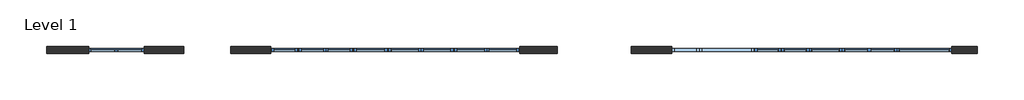
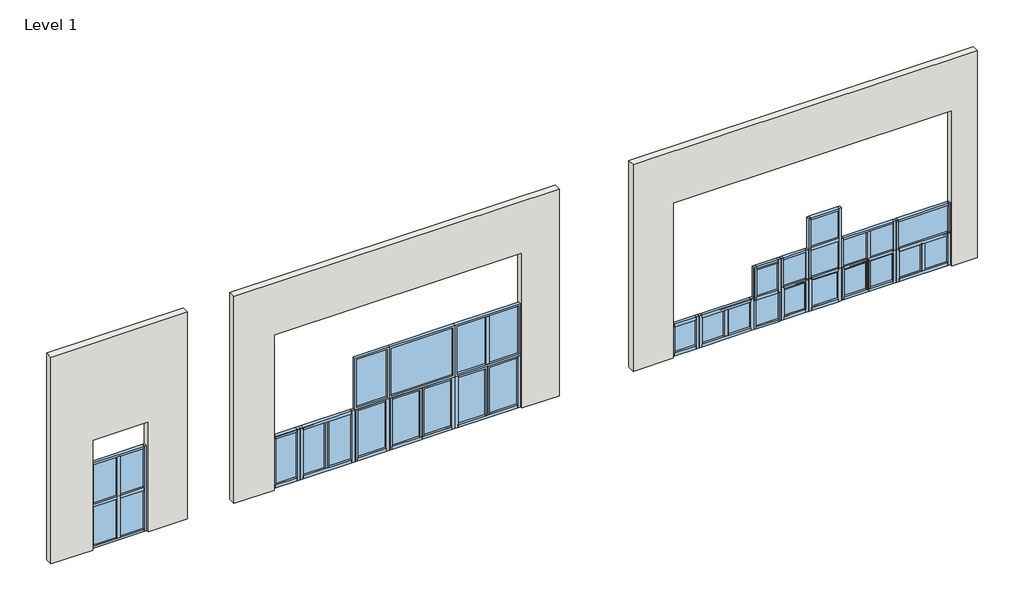
# One storey: 13 windows, 3 walls.
"""IFC4 building model written with IfcOpenShell, lengths in millimetres."""

import ifcopenshell
import ifcopenshell.guid

model = None  # the IFC model being written
_history = None  # IfcOwnerHistory: only IFC2X3 demands one
_inside = {}  # id of a spatial element -> (the spatial element, [elements in it])
_under = {}  # id of a project, library or spatial element -> (it, [spatial elements below it])
_declared = {}  # id of a project -> (the project, [libraries it declares])
_typed = {}  # id of a type object -> (the type object, [elements of that type])
_made_of = {}  # id of a material, layer set ... -> (it, [elements and type objects made of it])


def new_model(schema):
    """Start an empty IFC model of exactly this schema.

    Asked for "IFC4X3", IfcOpenShell would pick the latest addendum, in which some entities
    have other attributes; the version numbers below select the first issue.
    IFC2X3 requires an IfcOwnerHistory on every rooted entity: one is made here for all.
    """
    global model, _history
    if schema == "IFC4X3":
        model = ifcopenshell.file(schema_version=(4, 3, 0, 0))
    else:
        model = ifcopenshell.file(schema=schema)
    _inside.clear()
    _under.clear()
    _declared.clear()
    _typed.clear()
    _made_of.clear()
    _history = None
    if model.schema == "IFC2X3":
        org = make("IfcOrganization", Name="unknown")
        user = make(
            "IfcPersonAndOrganization",
            ThePerson=make("IfcPerson", FamilyName="unknown"),
            TheOrganization=org,
        )
        app = make(
            "IfcApplication",
            ApplicationDeveloper=org,
            Version="unknown",
            ApplicationFullName="unknown",
            ApplicationIdentifier="unknown",
        )
        _history = make(
            "IfcOwnerHistory",
            OwningUser=user,
            OwningApplication=app,
            ChangeAction="ADDED",
            CreationDate=0,
        )
    return model


def make(cls, **values):
    """One entity of the class cls with the attributes given. An attribute that is None is left unset."""
    return model.create_entity(
        cls, **{name: value for name, value in values.items() if value is not None}
    )


def rooted(cls, **values):
    """An entity with a GlobalId (a new one), such as an element, a storey or a relation."""
    return make(cls, GlobalId=ifcopenshell.guid.new(), OwnerHistory=_history, **values)


def si_unit(unit_type, name, prefix=None):
    """IfcSIUnit, for example si_unit("LENGTHUNIT", "METRE", prefix="MILLI")."""
    return make("IfcSIUnit", UnitType=unit_type, Prefix=prefix, Name=name)


def assignment(units):
    """IfcUnitAssignment: the units of a project."""
    return None if units is None else make("IfcUnitAssignment", Units=units)


def point(xyz):
    """IfcCartesianPoint."""
    return None if xyz is None else make("IfcCartesianPoint", Coordinates=xyz)


def direction(xyz):
    """IfcDirection."""
    return None if xyz is None else make("IfcDirection", DirectionRatios=xyz)


def frame(location, z_axis=None, x_axis=None):
    """IfcAxis2Placement3D, a coordinate frame: its origin and axes. An axis left out is left unset."""
    return make(
        "IfcAxis2Placement3D",
        Location=point(location),
        Axis=direction(z_axis),
        RefDirection=direction(x_axis),
    )


def origin():
    """The frame at (0, 0, 0) with its axes left unset."""
    return frame((0.0, 0.0, 0.0))


def origin_with_axes():
    """The frame at (0, 0, 0) with the z axis (0, 0, 1) and the x axis (1, 0, 0) written out."""
    return frame((0.0, 0.0, 0.0), z_axis=(0.0, 0.0, 1.0), x_axis=(1.0, 0.0, 0.0))


def place(relative_to, where):
    """IfcLocalPlacement: puts the frame where relative to a parent placement (None: the world)."""
    return make(
        "IfcLocalPlacement", PlacementRelTo=relative_to, RelativePlacement=where
    )


def context(
    kind, dimensions, precision=None, world=None, true_north=None, identifier=None
):
    """IfcGeometricRepresentationContext, for example the 3D "Model" context."""
    return make(
        "IfcGeometricRepresentationContext",
        ContextIdentifier=identifier,
        ContextType=kind,
        CoordinateSpaceDimension=dimensions,
        Precision=precision,
        WorldCoordinateSystem=world,
        TrueNorth=true_north,
    )


def project(units=None, contexts=None):
    """IfcProject with its units and contexts."""
    return rooted(
        "IfcProject",
        Name="project",
        RepresentationContexts=contexts,
        UnitsInContext=assignment(units),
    )


def spatial(cls, under=None, at=None, **own):
    """A site, building, storey or space (cls), placed at a placement, below another one or the project."""
    s = rooted(cls, ObjectPlacement=at, **own)
    if under is not None:
        _under.setdefault(under.id(), (under, []))[1].append(s)
    return s


def polyline(points):
    """IfcPolyline through the points."""
    return make("IfcPolyline", Points=[point(p) for p in points])


def outline(outer, holes=None, kind="AREA"):
    """IfcArbitraryClosedProfileDef: a profile drawn as a closed curve; with holes, ...WithVoids."""
    if holes is None:
        return make("IfcArbitraryClosedProfileDef", ProfileType=kind, OuterCurve=outer)
    return make(
        "IfcArbitraryProfileDefWithVoids",
        ProfileType=kind,
        OuterCurve=outer,
        InnerCurves=holes,
    )


def extrude(swept, where, along, depth):
    """IfcExtrudedAreaSolid: the profile swept, set in the frame where, extruded along a direction by depth."""
    return make(
        "IfcExtrudedAreaSolid",
        SweptArea=swept,
        Position=where,
        ExtrudedDirection=direction(along),
        Depth=depth,
    )


def shape(context_of_items, identifier, shape_type, items):
    """IfcShapeRepresentation: the items that make up one representation, for example the "Body"."""
    return make(
        "IfcShapeRepresentation",
        ContextOfItems=context_of_items,
        RepresentationIdentifier=identifier,
        RepresentationType=shape_type,
        Items=items,
    )


def source(mapping_origin, context_of_items, identifier, shape_type, items):
    """IfcRepresentationMap: a shape defined once, which mapped items show again and again."""
    return make(
        "IfcRepresentationMap",
        MappingOrigin=mapping_origin,
        MappedRepresentation=shape(context_of_items, identifier, shape_type, items),
    )


def transform(
    local_origin,
    x_axis=None,
    y_axis=None,
    z_axis=None,
    scale=None,
    scale2=None,
    scale3=None,
    uniform=True,
):
    """IfcCartesianTransformationOperator3D, or its non-uniform kind. x_axis, y_axis, z_axis: its Axis1, 2, 3."""
    if uniform:
        return make(
            "IfcCartesianTransformationOperator3D",
            Axis1=direction(x_axis),
            Axis2=direction(y_axis),
            LocalOrigin=point(local_origin),
            Scale=scale,
            Axis3=direction(z_axis),
        )
    return make(
        "IfcCartesianTransformationOperator3DnonUniform",
        Axis1=direction(x_axis),
        Axis2=direction(y_axis),
        LocalOrigin=point(local_origin),
        Scale=scale,
        Axis3=direction(z_axis),
        Scale2=scale2,
        Scale3=scale3,
    )


def mapped(mapping_source, mapping_target):
    """IfcMappedItem: shows the shape of a source again, moved by a transform."""
    return make(
        "IfcMappedItem", MappingSource=mapping_source, MappingTarget=mapping_target
    )


def made_of(thing, what):
    """Note that an element or type object is made of a material, layer set ...; save() writes the relation."""
    if what is not None:
        _made_of.setdefault(what.id(), (what, []))[1].append(thing)
    return thing


def element(
    cls,
    number,
    at=None,
    inside=None,
    cuts=None,
    type_object=None,
    material=None,
    context=None,
    identifier="Body",
    shape_type=None,
    held_by="IfcProductDefinitionShape",
    body=None,
    shapes=None,
    **own,
):
    """One element of the class cls, such as IfcWall. Its Tag is "e" and its number.

    at: its placement. inside: the storey or other place that contains it. cuts: it is an
    opening in that element (IfcRelVoidsElement). A single representation is given by context,
    identifier, shape_type and body (its items); several are given by shapes. held_by: the class
    of the entity that holds the representations. save() writes the other relations.
    """
    e = rooted(cls, Tag="e%d" % number, ObjectPlacement=at, **own)
    if body is not None:
        shapes = [shape(context, identifier, shape_type, body)]
    if shapes is not None:
        e.Representation = make(held_by, Representations=shapes)
    if inside is not None:
        _inside.setdefault(inside.id(), (inside, []))[1].append(e)
    if cuts is not None:
        rooted(
            "IfcRelVoidsElement", RelatingBuildingElement=cuts, RelatedOpeningElement=e
        )
    if type_object is not None:
        _typed.setdefault(type_object.id(), (type_object, []))[1].append(e)
    return made_of(e, material)


def aggregate(whole, parts):
    """IfcRelAggregates: a whole, such as a stair, and the parts it consists of."""
    return rooted("IfcRelAggregates", RelatingObject=whole, RelatedObjects=parts)


def save(model, path):
    """Write the relations noted so far, then the file.

    IfcRelAggregates (storeys below a building ...), IfcRelContainedInSpatialStructure (elements
    in a storey), IfcRelDefinesByType, IfcRelAssociatesMaterial and IfcRelDeclares: one each for
    every whole, place, type object, material and project.
    """
    for whole, parts in _under.values():
        aggregate(whole, parts)
    for where, things in _inside.values():
        rooted(
            "IfcRelContainedInSpatialStructure",
            RelatedElements=things,
            RelatingStructure=where,
        )
    for kind, things in _typed.values():
        rooted("IfcRelDefinesByType", RelatedObjects=things, RelatingType=kind)
    for what, things in _made_of.values():
        rooted("IfcRelAssociatesMaterial", RelatedObjects=things, RelatingMaterial=what)
    for by, libraries in _declared.values():
        rooted("IfcRelDeclares", RelatingContext=by, RelatedDefinitions=libraries)
    model.write(path)


def window_curtain_wall_casement_outswing_kawneer_aa4325_aa4325_02fcaf1f(model_context):
    return source(origin(), model_context, "Body", "SweptSolid", [
        extrude(outline(polyline([(41.275, 41.275), (41.275, -41.275), (-41.275, -41.275), (-41.275, 41.275), (41.275, 41.275)])), frame((0.0, 0.0, 1581.15), z_axis=(0.0, 0.0, 1.0), x_axis=(1.0, 0.0, 0.0)), (0.0, 0.0, 1.0), 1409.7),
        extrude(outline(polyline([(3048.0, 914.4), (3048.0, -914.4), (1524.0, -914.4), (1524.0, 914.4), (3048.0, 914.4)]), holes=[polyline([(2990.85, 857.25), (1581.15, 857.25), (1581.15, -857.25), (2990.85, -857.25), (2990.85, 857.25)])]), frame((0.0, -41.275, 0.0), z_axis=(0.0, 1.0, 0.0), x_axis=(0.0, 0.0, 1.0)), (0.0, 0.0, 1.0), 82.55),
        extrude(outline(polyline([(25.4, -891.38125), (25.4, 0.0), (1524.0, 0.0), (1524.0, -891.38125), (25.4, -891.38125)]), holes=[polyline([(1464.46875, -831.85), (1464.46875, -59.53125), (84.93125, -59.53125), (84.93125, -831.85), (1464.46875, -831.85)])]), frame((0.0, -38.1, 0.0), z_axis=(0.0, 1.0, 0.0), x_axis=(0.0, 0.0, 1.0)), (0.0, 0.0, 1.0), 82.55),
        extrude(outline(polyline([(1524.0, 891.38125), (1524.0, 0.0), (25.4, 0.0), (25.4, 891.38125), (1524.0, 891.38125)]), holes=[polyline([(84.93125, 831.85), (84.93125, 59.53125), (1464.46875, 59.53125), (1464.46875, 831.85), (84.93125, 831.85)])]), frame((0.0, -38.1, 0.0), z_axis=(0.0, 1.0, 0.0), x_axis=(0.0, 0.0, 1.0)), (0.0, 0.0, 1.0), 82.55),
        extrude(outline(polyline([(-857.25, 12.7), (-857.25, 38.1), (857.25, 38.1), (857.25, 12.7), (-857.25, 12.7)])), frame((0.0, 0.0, 1581.15), z_axis=(0.0, 0.0, 1.0), x_axis=(1.0, 0.0, 0.0)), (0.0, 0.0, 1.0), 1409.7),
        extrude(outline(polyline([(59.53125, 15.875), (59.53125, 41.275), (831.85, 41.275), (831.85, 15.875), (59.53125, 15.875)])), frame((0.0, 0.0, 84.93125), z_axis=(0.0, 0.0, 1.0), x_axis=(1.0, 0.0, 0.0)), (0.0, 0.0, 1.0), 1379.5375),
        extrude(outline(polyline([(-831.85, 15.875), (-831.85, 41.275), (-59.53125, 41.275), (-59.53125, 15.875), (-831.85, 15.875)])), frame((0.0, 0.0, 84.93125), z_axis=(0.0, 0.0, 1.0), x_axis=(1.0, 0.0, 0.0)), (0.0, 0.0, 1.0), 1379.5375),
        extrude(outline(polyline([(828.675, 41.275), (828.675, -41.275), (-828.675, -41.275), (-828.675, 41.275), (828.675, 41.275)])), origin_with_axes(), (0.0, 0.0, 1.0), 85.725),
        extrude(outline(polyline([(-914.4, -41.275), (-914.4, 41.275), (-828.675, 41.275), (-828.675, -41.275), (-914.4, -41.275)])), origin_with_axes(), (0.0, 0.0, 1.0), 1524.0),
        extrude(outline(polyline([(914.4, -41.275), (828.675, -41.275), (828.675, 41.275), (914.4, 41.275), (914.4, -41.275)])), origin_with_axes(), (0.0, 0.0, 1.0), 1524.0),
    ])


def window_curtain_wall_casement_outswing_kawneer_aa4325_aa4325_52c1adae(model_context):
    return source(origin(), model_context, "Body", "SweptSolid", [
        extrude(outline(polyline([(25.4, -357.98125), (25.4, 357.98125), (1498.6, 357.98125), (1498.6, -357.98125), (25.4, -357.98125)]), holes=[polyline([(1439.06875, -298.45), (1439.06875, 298.45), (84.93125, 298.45), (84.93125, -298.45), (1439.06875, -298.45)])]), frame((0.0, -38.1, 0.0), z_axis=(0.0, 1.0, 0.0), x_axis=(0.0, 0.0, 1.0)), (0.0, 0.0, 1.0), 82.55),
        extrude(outline(polyline([(-298.45, 15.875), (-298.45, 41.275), (298.45, 41.275), (298.45, 15.875), (-298.45, 15.875)])), frame((0.0, 0.0, 84.93125), z_axis=(0.0, 0.0, 1.0), x_axis=(1.0, 0.0, 0.0)), (0.0, 0.0, 1.0), 1354.1375),
        extrude(outline(polyline([(295.275, 41.275), (295.275, -41.275), (-295.275, -41.275), (-295.275, 41.275), (295.275, 41.275)])), frame((0.0, 0.0, 1438.275), z_axis=(0.0, 0.0, 1.0), x_axis=(1.0, 0.0, 0.0)), (0.0, 0.0, 1.0), 85.725),
        extrude(outline(polyline([(295.275, 41.275), (295.275, -41.275), (-295.275, -41.275), (-295.275, 41.275), (295.275, 41.275)])), origin_with_axes(), (0.0, 0.0, 1.0), 85.725),
        extrude(outline(polyline([(-381.0, -41.275), (-381.0, 41.275), (-295.275, 41.275), (-295.275, -41.275), (-381.0, -41.275)])), origin_with_axes(), (0.0, 0.0, 1.0), 1524.0),
        extrude(outline(polyline([(381.0, -41.275), (295.275, -41.275), (295.275, 41.275), (381.0, 41.275), (381.0, -41.275)])), origin_with_axes(), (0.0, 0.0, 1.0), 1524.0),
    ])


def window_curtain_wall_casement_outswing_kawneer_aa4325_aa4325_e41e68cb(model_context):
    return source(origin(), model_context, "Body", "SweptSolid", [
        extrude(outline(polyline([(25.4, -738.98125), (25.4, 0.0), (1498.6, 0.0), (1498.6, -738.98125), (25.4, -738.98125)]), holes=[polyline([(1439.06875, -679.45), (1439.06875, -59.53125), (84.93125, -59.53125), (84.93125, -679.45), (1439.06875, -679.45)])]), frame((0.0, -38.1, 0.0), z_axis=(0.0, 1.0, 0.0), x_axis=(0.0, 0.0, 1.0)), (0.0, 0.0, 1.0), 82.55),
        extrude(outline(polyline([(1498.6, 738.98125), (1498.6, 0.0), (25.4, 0.0), (25.4, 738.98125), (1498.6, 738.98125)]), holes=[polyline([(84.93125, 679.45), (84.93125, 59.53125), (1439.06875, 59.53125), (1439.06875, 679.45), (84.93125, 679.45)])]), frame((0.0, -38.1, 0.0), z_axis=(0.0, 1.0, 0.0), x_axis=(0.0, 0.0, 1.0)), (0.0, 0.0, 1.0), 82.55),
        extrude(outline(polyline([(59.53125, 15.875), (59.53125, 41.275), (679.45, 41.275), (679.45, 15.875), (59.53125, 15.875)])), frame((0.0, 0.0, 84.93125), z_axis=(0.0, 0.0, 1.0), x_axis=(1.0, 0.0, 0.0)), (0.0, 0.0, 1.0), 1354.1375),
        extrude(outline(polyline([(-679.45, 15.875), (-679.45, 41.275), (-59.53125, 41.275), (-59.53125, 15.875), (-679.45, 15.875)])), frame((0.0, 0.0, 84.93125), z_axis=(0.0, 0.0, 1.0), x_axis=(1.0, 0.0, 0.0)), (0.0, 0.0, 1.0), 1354.1375),
        extrude(outline(polyline([(676.275, 41.275), (676.275, -41.275), (-676.275, -41.275), (-676.275, 41.275), (676.275, 41.275)])), frame((0.0, 0.0, 1438.275), z_axis=(0.0, 0.0, 1.0), x_axis=(1.0, 0.0, 0.0)), (0.0, 0.0, 1.0), 85.725),
        extrude(outline(polyline([(676.275, 41.275), (676.275, -41.275), (-676.275, -41.275), (-676.275, 41.275), (676.275, 41.275)])), origin_with_axes(), (0.0, 0.0, 1.0), 85.725),
        extrude(outline(polyline([(-762.0, -41.275), (-762.0, 41.275), (-676.275, 41.275), (-676.275, -41.275), (-762.0, -41.275)])), origin_with_axes(), (0.0, 0.0, 1.0), 1524.0),
        extrude(outline(polyline([(762.0, -41.275), (676.275, -41.275), (676.275, 41.275), (762.0, 41.275), (762.0, -41.275)])), origin_with_axes(), (0.0, 0.0, 1.0), 1524.0),
    ])


def window_curtain_wall_casement_outswing_kawneer_aa4325_aa4325_0fd5a1ec(model_context):
    return source(origin(), model_context, "Body", "SweptSolid", [
        extrude(outline(polyline([(3048.0, 914.4), (3048.0, -914.4), (1524.0, -914.4), (1524.0, 914.4), (3048.0, 914.4)]), holes=[polyline([(2990.85, 857.25), (1581.15, 857.25), (1581.15, -857.25), (2990.85, -857.25), (2990.85, 857.25)])]), frame((0.0, -41.275, 0.0), z_axis=(0.0, 1.0, 0.0), x_axis=(0.0, 0.0, 1.0)), (0.0, 0.0, 1.0), 82.55),
        extrude(outline(polyline([(25.4, -891.38125), (25.4, 0.0), (1524.0, 0.0), (1524.0, -891.38125), (25.4, -891.38125)]), holes=[polyline([(1464.46875, -831.85), (1464.46875, -59.53125), (84.93125, -59.53125), (84.93125, -831.85), (1464.46875, -831.85)])]), frame((0.0, -38.1, 0.0), z_axis=(0.0, 1.0, 0.0), x_axis=(0.0, 0.0, 1.0)), (0.0, 0.0, 1.0), 82.55),
        extrude(outline(polyline([(1524.0, 891.38125), (1524.0, 0.0), (25.4, 0.0), (25.4, 891.38125), (1524.0, 891.38125)]), holes=[polyline([(84.93125, 831.85), (84.93125, 59.53125), (1464.46875, 59.53125), (1464.46875, 831.85), (84.93125, 831.85)])]), frame((0.0, -38.1, 0.0), z_axis=(0.0, 1.0, 0.0), x_axis=(0.0, 0.0, 1.0)), (0.0, 0.0, 1.0), 82.55),
        extrude(outline(polyline([(-857.25, 12.7), (-857.25, 38.1), (857.25, 38.1), (857.25, 12.7), (-857.25, 12.7)])), frame((0.0, 0.0, 1581.15), z_axis=(0.0, 0.0, 1.0), x_axis=(1.0, 0.0, 0.0)), (0.0, 0.0, 1.0), 1409.7),
        extrude(outline(polyline([(59.53125, 15.875), (59.53125, 41.275), (831.85, 41.275), (831.85, 15.875), (59.53125, 15.875)])), frame((0.0, 0.0, 84.93125), z_axis=(0.0, 0.0, 1.0), x_axis=(1.0, 0.0, 0.0)), (0.0, 0.0, 1.0), 1379.5375),
        extrude(outline(polyline([(-831.85, 15.875), (-831.85, 41.275), (-59.53125, 41.275), (-59.53125, 15.875), (-831.85, 15.875)])), frame((0.0, 0.0, 84.93125), z_axis=(0.0, 0.0, 1.0), x_axis=(1.0, 0.0, 0.0)), (0.0, 0.0, 1.0), 1379.5375),
        extrude(outline(polyline([(828.675, 41.275), (828.675, -41.275), (-828.675, -41.275), (-828.675, 41.275), (828.675, 41.275)])), origin_with_axes(), (0.0, 0.0, 1.0), 85.725),
        extrude(outline(polyline([(-914.4, -41.275), (-914.4, 41.275), (-828.675, 41.275), (-828.675, -41.275), (-914.4, -41.275)])), origin_with_axes(), (0.0, 0.0, 1.0), 1524.0),
        extrude(outline(polyline([(914.4, -41.275), (828.675, -41.275), (828.675, 41.275), (914.4, 41.275), (914.4, -41.275)])), origin_with_axes(), (0.0, 0.0, 1.0), 1524.0),
    ])


def window_curtain_wall_casement_outswing_kawneer_aa4325_aa4325_23a7e854(model_context):
    return source(origin(), model_context, "Body", "SweptSolid", [
        extrude(outline(polyline([(3048.0, 482.6), (3048.0, -482.6), (1524.0, -482.6), (1524.0, 482.6), (3048.0, 482.6)]), holes=[polyline([(2990.85, 425.45), (1581.15, 425.45), (1581.15, -425.45), (2990.85, -425.45), (2990.85, 425.45)])]), frame((0.0, -41.275, 0.0), z_axis=(0.0, 1.0, 0.0), x_axis=(0.0, 0.0, 1.0)), (0.0, 0.0, 1.0), 82.55),
        extrude(outline(polyline([(25.4, -459.58125), (25.4, 459.58125), (1524.0, 459.58125), (1524.0, -459.58125), (25.4, -459.58125)]), holes=[polyline([(1464.46875, -400.05), (1464.46875, 400.05), (84.93125, 400.05), (84.93125, -400.05), (1464.46875, -400.05)])]), frame((0.0, -38.1, 0.0), z_axis=(0.0, 1.0, 0.0), x_axis=(0.0, 0.0, 1.0)), (0.0, 0.0, 1.0), 82.55),
        extrude(outline(polyline([(-425.45, 12.7), (-425.45, 38.1), (425.45, 38.1), (425.45, 12.7), (-425.45, 12.7)])), frame((0.0, 0.0, 1581.15), z_axis=(0.0, 0.0, 1.0), x_axis=(1.0, 0.0, 0.0)), (0.0, 0.0, 1.0), 1409.7),
        extrude(outline(polyline([(-400.05, 15.875), (-400.05, 41.275), (400.05, 41.275), (400.05, 15.875), (-400.05, 15.875)])), frame((0.0, 0.0, 84.93125), z_axis=(0.0, 0.0, 1.0), x_axis=(1.0, 0.0, 0.0)), (0.0, 0.0, 1.0), 1379.5375),
        extrude(outline(polyline([(396.875, 41.275), (396.875, -41.275), (-396.875, -41.275), (-396.875, 41.275), (396.875, 41.275)])), origin_with_axes(), (0.0, 0.0, 1.0), 85.725),
        extrude(outline(polyline([(-482.6, -41.275), (-482.6, 41.275), (-396.875, 41.275), (-396.875, -41.275), (-482.6, -41.275)])), origin_with_axes(), (0.0, 0.0, 1.0), 1524.0),
        extrude(outline(polyline([(482.6, -41.275), (396.875, -41.275), (396.875, 41.275), (482.6, 41.275), (482.6, -41.275)])), origin_with_axes(), (0.0, 0.0, 1.0), 1524.0),
    ])


def window_curtain_wall_fixed_kawneer_aa4325_aa4325_fixed_8e82d17f(model_context):
    return source(origin(), model_context, "Body", "SweptSolid", [
        extrude(outline(polyline([(692.15, 34.925), (692.15, 9.525), (-717.55, 9.525), (-717.55, 34.925), (692.15, 34.925)])), frame((0.0, 0.0, 57.15), z_axis=(0.0, 0.0, 1.0), x_axis=(1.0, 0.0, 0.0)), (0.0, 0.0, 1.0), 2400.3),
        extrude(outline(polyline([(28.575, 41.275), (28.575, -41.275), (-53.975, -41.275), (-53.975, 41.275), (28.575, 41.275)])), frame((0.0, 0.0, 57.15), z_axis=(0.0, 0.0, 1.0), x_axis=(1.0, 0.0, 0.0)), (0.0, 0.0, 1.0), 2400.3),
        extrude(outline(polyline([(-717.55, -41.275), (-717.55, 41.275), (692.15, 41.275), (692.15, -41.275), (-717.55, -41.275)])), frame((0.0, 0.0, 1216.025), z_axis=(0.0, 0.0, 1.0), x_axis=(1.0, 0.0, 0.0)), (0.0, 0.0, 1.0), 82.55),
        extrude(outline(polyline([(692.15, 41.275), (692.15, -41.275), (-717.55, -41.275), (-717.55, 41.275), (692.15, 41.275)])), frame((0.0, 0.0, 2457.45), z_axis=(0.0, 0.0, 1.0), x_axis=(1.0, 0.0, 0.0)), (0.0, 0.0, 1.0), 57.15),
        extrude(outline(polyline([(692.15, 41.275), (692.15, -41.275), (-717.55, -41.275), (-717.55, 41.275), (692.15, 41.275)])), origin_with_axes(), (0.0, 0.0, 1.0), 57.15),
        extrude(outline(polyline([(-774.7, -41.275), (-774.7, 41.275), (-717.55, 41.275), (-717.55, -41.275), (-774.7, -41.275)])), origin_with_axes(), (0.0, 0.0, 1.0), 2514.6),
        extrude(outline(polyline([(749.3, -41.275), (692.15, -41.275), (692.15, 41.275), (749.3, 41.275), (749.3, -41.275)])), origin_with_axes(), (0.0, 0.0, 1.0), 2514.6),
    ])


def window_curtain_wall_project_out_kawneer_aa4325_aa4325_7a3bb19d(model_context):
    return source(origin(), model_context, "Body", "SweptSolid", [
        extrude(outline(polyline([(21.43125, -359.56875), (21.43125, 359.56875), (911.225, 359.56875), (911.225, -359.56875), (21.43125, -359.56875)]), holes=[polyline([(850.9, -299.24375), (850.9, 299.24375), (81.75625, 299.24375), (81.75625, -299.24375), (850.9, -299.24375)])]), frame((0.0, -38.1, 0.0), z_axis=(0.0, 1.0, 0.0), x_axis=(0.0, 0.0, 1.0)), (0.0, 0.0, 1.0), 82.55),
        extrude(outline(polyline([(-299.24375, 15.875), (-299.24375, 41.275), (299.24375, 41.275), (299.24375, 15.875), (-299.24375, 15.875)])), frame((0.0, 0.0, 81.75625), z_axis=(0.0, 0.0, 1.0), x_axis=(1.0, 0.0, 0.0)), (0.0, 0.0, 1.0), 769.14375),
        extrude(outline(polyline([(295.275, 41.275), (295.275, -41.275), (-295.275, -41.275), (-295.275, 41.275), (295.275, 41.275)])), frame((0.0, 0.0, 846.93125), z_axis=(0.0, 0.0, 1.0), x_axis=(1.0, 0.0, 0.0)), (0.0, 0.0, 1.0), 85.725),
        extrude(outline(polyline([(295.275, 41.275), (295.275, -41.275), (-295.275, -41.275), (-295.275, 41.275), (295.275, 41.275)])), origin_with_axes(), (0.0, 0.0, 1.0), 85.725),
        extrude(outline(polyline([(-381.0, -41.275), (-381.0, 41.275), (-295.275, 41.275), (-295.275, -41.275), (-381.0, -41.275)])), origin_with_axes(), (0.0, 0.0, 1.0), 932.65625),
        extrude(outline(polyline([(381.0, -41.275), (295.275, -41.275), (295.275, 41.275), (381.0, 41.275), (381.0, -41.275)])), origin_with_axes(), (0.0, 0.0, 1.0), 932.65625),
    ])


def window_curtain_wall_project_out_kawneer_aa4325_aa4325_b02c6880(model_context):
    return source(origin(), model_context, "Body", "SweptSolid", [
        extrude(outline(polyline([(457.2, 41.275), (457.2, -41.275), (400.05, -41.275), (400.05, 41.275), (457.2, 41.275)])), frame((0.0, 0.0, 974.328125), z_axis=(0.0, 0.0, 1.0), x_axis=(1.0, 0.0, 0.0)), (0.0, 0.0, 1.0), 1768.475),
        extrude(outline(polyline([(-457.2, 41.275), (-400.05, 41.275), (-400.05, -41.275), (-457.2, -41.275), (-457.2, 41.275)])), frame((0.0, 0.0, 974.328125), z_axis=(0.0, 0.0, 1.0), x_axis=(1.0, 0.0, 0.0)), (0.0, 0.0, 1.0), 1768.475),
        extrude(outline(polyline([(400.05, 41.275), (400.05, -41.275), (-400.05, -41.275), (-400.05, 41.275), (400.05, 41.275)])), frame((0.0, 0.0, 1785.540625), z_axis=(0.0, 0.0, 1.0), x_axis=(1.0, 0.0, 0.0)), (0.0, 0.0, 1.0), 82.55),
        extrude(outline(polyline([(371.475, 41.275), (371.475, -41.275), (-371.475, -41.275), (-371.475, 41.275), (371.475, 41.275)])), frame((0.0, 0.0, 910.828125), z_axis=(0.0, 0.0, 1.0), x_axis=(1.0, 0.0, 0.0)), (0.0, 0.0, 1.0), 63.5),
        extrude(outline(polyline([(21.43125, -435.76875), (21.43125, 435.76875), (939.403125, 435.76875), (939.403125, -435.76875), (21.43125, -435.76875)]), holes=[polyline([(879.078125, -375.44375), (879.078125, 375.44375), (81.75625, 375.44375), (81.75625, -375.44375), (879.078125, -375.44375)])]), frame((0.0, -38.1, 0.0), z_axis=(0.0, 1.0, 0.0), x_axis=(0.0, 0.0, 1.0)), (0.0, 0.0, 1.0), 82.55),
        extrude(outline(polyline([(-400.05, 12.7), (-400.05, 38.1), (400.05, 38.1), (400.05, 12.7), (-400.05, 12.7)])), frame((0.0, 0.0, 974.328125), z_axis=(0.0, 0.0, 1.0), x_axis=(1.0, 0.0, 0.0)), (0.0, 0.0, 1.0), 1711.325),
        extrude(outline(polyline([(-375.44375, 15.875), (-375.44375, 41.275), (375.44375, 41.275), (375.44375, 15.875), (-375.44375, 15.875)])), frame((0.0, 0.0, 81.75625), z_axis=(0.0, 0.0, 1.0), x_axis=(1.0, 0.0, 0.0)), (0.0, 0.0, 1.0), 797.321875),
        extrude(outline(polyline([(400.05, 41.275), (400.05, -41.275), (-400.05, -41.275), (-400.05, 41.275), (400.05, 41.275)])), frame((0.0, 0.0, 2685.653125), z_axis=(0.0, 0.0, 1.0), x_axis=(1.0, 0.0, 0.0)), (0.0, 0.0, 1.0), 57.15),
        extrude(outline(polyline([(371.475, 41.275), (371.475, -41.275), (-371.475, -41.275), (-371.475, 41.275), (371.475, 41.275)])), origin_with_axes(), (0.0, 0.0, 1.0), 85.725),
        extrude(outline(polyline([(-457.2, -41.275), (-457.2, 41.275), (-371.475, 41.275), (-371.475, -41.275), (-457.2, -41.275)])), origin_with_axes(), (0.0, 0.0, 1.0), 974.328125),
        extrude(outline(polyline([(457.2, -41.275), (371.475, -41.275), (371.475, 41.275), (457.2, 41.275), (457.2, -41.275)])), origin_with_axes(), (0.0, 0.0, 1.0), 974.328125),
    ])


def window_curtain_wall_project_out_kawneer_aa4325_aa4325_9ca7d5b6(model_context):
    return source(origin(), model_context, "Body", "SweptSolid", [
        extrude(outline(polyline([(-323.85, 38.1), (323.85, 38.1), (323.85, 12.7), (-323.85, 12.7), (-323.85, 38.1)])), frame((0.0, 0.0, 57.15), z_axis=(0.0, 0.0, 1.0), x_axis=(1.0, 0.0, 0.0)), (0.0, 0.0, 1.0), 790.971875),
        extrude(outline(polyline([(381.0, 41.275), (381.0, -41.275), (323.85, -41.275), (323.85, 41.275), (381.0, 41.275)])), origin_with_axes(), (0.0, 0.0, 1.0), 848.121875),
        extrude(outline(polyline([(-323.85, 41.275), (-323.85, -41.275), (-381.0, -41.275), (-381.0, 41.275), (-323.85, 41.275)])), origin_with_axes(), (0.0, 0.0, 1.0), 848.121875),
        extrude(outline(polyline([(323.85, 41.275), (323.85, -41.275), (-323.85, -41.275), (-323.85, 41.275), (323.85, 41.275)])), origin_with_axes(), (0.0, 0.0, 1.0), 57.15),
        extrude(outline(polyline([(869.553125, -359.56875), (869.553125, 359.56875), (1787.525, 359.56875), (1787.525, -359.56875), (869.553125, -359.56875)]), holes=[polyline([(1727.2, -299.24375), (1727.2, 299.24375), (929.878125, 299.24375), (929.878125, -299.24375), (1727.2, -299.24375)])]), frame((0.0, -38.1, 0.0), z_axis=(0.0, 1.0, 0.0), x_axis=(0.0, 0.0, 1.0)), (0.0, 0.0, 1.0), 82.55),
        extrude(outline(polyline([(-299.24375, 15.875), (-299.24375, 41.275), (299.24375, 41.275), (299.24375, 15.875), (-299.24375, 15.875)])), frame((0.0, 0.0, 929.878125), z_axis=(0.0, 0.0, 1.0), x_axis=(1.0, 0.0, 0.0)), (0.0, 0.0, 1.0), 797.321875),
        extrude(outline(polyline([(295.275, 41.275), (295.275, -41.275), (-295.275, -41.275), (-295.275, 41.275), (295.275, 41.275)])), frame((0.0, 0.0, 1771.65), z_axis=(0.0, 0.0, 1.0), x_axis=(1.0, 0.0, 0.0)), (0.0, 0.0, 1.0), 57.15),
        extrude(outline(polyline([(295.275, 41.275), (295.275, -41.275), (-295.275, -41.275), (-295.275, 41.275), (295.275, 41.275)])), frame((0.0, 0.0, 848.121875), z_axis=(0.0, 0.0, 1.0), x_axis=(1.0, 0.0, 0.0)), (0.0, 0.0, 1.0), 85.725),
        extrude(outline(polyline([(-381.0, -41.275), (-381.0, 41.275), (-295.275, 41.275), (-295.275, -41.275), (-381.0, -41.275)])), frame((0.0, 0.0, 848.121875), z_axis=(0.0, 0.0, 1.0), x_axis=(1.0, 0.0, 0.0)), (0.0, 0.0, 1.0), 980.678125),
        extrude(outline(polyline([(381.0, -41.275), (295.275, -41.275), (295.275, 41.275), (381.0, 41.275), (381.0, -41.275)])), frame((0.0, 0.0, 848.121875), z_axis=(0.0, 0.0, 1.0), x_axis=(1.0, 0.0, 0.0)), (0.0, 0.0, 1.0), 980.678125),
    ])


def window_curtain_wall_project_out_kawneer_aa4325_aa4325_9c468082(model_context):
    return source(origin(), model_context, "Body", "SweptSolid", [
        extrude(outline(polyline([(381.0, 41.275), (381.0, -41.275), (323.85, -41.275), (323.85, 41.275), (381.0, 41.275)])), frame((0.0, 0.0, 974.328125), z_axis=(0.0, 0.0, 1.0), x_axis=(1.0, 0.0, 0.0)), (0.0, 0.0, 1.0), 854.471875),
        extrude(outline(polyline([(-381.0, 41.275), (-323.85, 41.275), (-323.85, -41.275), (-381.0, -41.275), (-381.0, 41.275)])), frame((0.0, 0.0, 974.328125), z_axis=(0.0, 0.0, 1.0), x_axis=(1.0, 0.0, 0.0)), (0.0, 0.0, 1.0), 854.471875),
        extrude(outline(polyline([(295.275, 41.275), (295.275, -41.275), (-295.275, -41.275), (-295.275, 41.275), (295.275, 41.275)])), frame((0.0, 0.0, 910.828125), z_axis=(0.0, 0.0, 1.0), x_axis=(1.0, 0.0, 0.0)), (0.0, 0.0, 1.0), 63.5),
        extrude(outline(polyline([(21.43125, -359.56875), (21.43125, 359.56875), (939.403125, 359.56875), (939.403125, -359.56875), (21.43125, -359.56875)]), holes=[polyline([(879.078125, -299.24375), (879.078125, 299.24375), (81.75625, 299.24375), (81.75625, -299.24375), (879.078125, -299.24375)])]), frame((0.0, -38.1, 0.0), z_axis=(0.0, 1.0, 0.0), x_axis=(0.0, 0.0, 1.0)), (0.0, 0.0, 1.0), 82.55),
        extrude(outline(polyline([(-323.85, 12.7), (-323.85, 38.1), (323.85, 38.1), (323.85, 12.7), (-323.85, 12.7)])), frame((0.0, 0.0, 974.328125), z_axis=(0.0, 0.0, 1.0), x_axis=(1.0, 0.0, 0.0)), (0.0, 0.0, 1.0), 797.321875),
        extrude(outline(polyline([(-299.24375, 15.875), (-299.24375, 41.275), (299.24375, 41.275), (299.24375, 15.875), (-299.24375, 15.875)])), frame((0.0, 0.0, 81.75625), z_axis=(0.0, 0.0, 1.0), x_axis=(1.0, 0.0, 0.0)), (0.0, 0.0, 1.0), 797.321875),
        extrude(outline(polyline([(323.85, 41.275), (323.85, -41.275), (-323.85, -41.275), (-323.85, 41.275), (323.85, 41.275)])), frame((0.0, 0.0, 1771.65), z_axis=(0.0, 0.0, 1.0), x_axis=(1.0, 0.0, 0.0)), (0.0, 0.0, 1.0), 57.15),
        extrude(outline(polyline([(295.275, 41.275), (295.275, -41.275), (-295.275, -41.275), (-295.275, 41.275), (295.275, 41.275)])), origin_with_axes(), (0.0, 0.0, 1.0), 85.725),
        extrude(outline(polyline([(-381.0, -41.275), (-381.0, 41.275), (-295.275, 41.275), (-295.275, -41.275), (-381.0, -41.275)])), origin_with_axes(), (0.0, 0.0, 1.0), 974.328125),
        extrude(outline(polyline([(381.0, -41.275), (295.275, -41.275), (295.275, 41.275), (381.0, 41.275), (381.0, -41.275)])), origin_with_axes(), (0.0, 0.0, 1.0), 974.328125),
    ])


def window_curtain_wall_project_out_kawneer_aa4325_aa4325_223f7fbd(model_context):
    return source(origin(), model_context, "Body", "SweptSolid", [
        extrude(outline(polyline([(37.30625, -41.275), (-45.24375, -41.275), (-45.24375, 41.275), (37.30625, 41.275), (37.30625, -41.275)])), frame((0.0, 0.0, 85.725), z_axis=(0.0, 0.0, 1.0), x_axis=(1.0, 0.0, 0.0)), (0.0, 0.0, 1.0), 761.20625),
        extrude(outline(polyline([(21.43125, -740.56875), (21.43125, -0.79375), (911.225, -0.79375), (911.225, -740.56875), (21.43125, -740.56875)]), holes=[polyline([(850.9, -680.24375), (850.9, -61.11875), (81.75625, -61.11875), (81.75625, -680.24375), (850.9, -680.24375)])]), frame((0.0, -38.1, 0.0), z_axis=(0.0, 1.0, 0.0), x_axis=(0.0, 0.0, 1.0)), (0.0, 0.0, 1.0), 82.55),
        extrude(outline(polyline([(911.225, 740.56875), (911.225, 0.79375), (21.43125, 0.79375), (21.43125, 740.56875), (911.225, 740.56875)]), holes=[polyline([(81.75625, 680.24375), (81.75625, 61.11875), (850.9, 61.11875), (850.9, 680.24375), (81.75625, 680.24375)])]), frame((0.0, -38.1, 0.0), z_axis=(0.0, 1.0, 0.0), x_axis=(0.0, 0.0, 1.0)), (0.0, 0.0, 1.0), 82.55),
        extrude(outline(polyline([(61.11875, 15.875), (61.11875, 41.275), (680.24375, 41.275), (680.24375, 15.875), (61.11875, 15.875)])), frame((0.0, 0.0, 81.75625), z_axis=(0.0, 0.0, 1.0), x_axis=(1.0, 0.0, 0.0)), (0.0, 0.0, 1.0), 769.14375),
        extrude(outline(polyline([(-680.24375, 15.875), (-680.24375, 41.275), (-61.11875, 41.275), (-61.11875, 15.875), (-680.24375, 15.875)])), frame((0.0, 0.0, 81.75625), z_axis=(0.0, 0.0, 1.0), x_axis=(1.0, 0.0, 0.0)), (0.0, 0.0, 1.0), 769.14375),
        extrude(outline(polyline([(676.275, 41.275), (676.275, -41.275), (-676.275, -41.275), (-676.275, 41.275), (676.275, 41.275)])), frame((0.0, 0.0, 846.93125), z_axis=(0.0, 0.0, 1.0), x_axis=(1.0, 0.0, 0.0)), (0.0, 0.0, 1.0), 85.725),
        extrude(outline(polyline([(676.275, 41.275), (676.275, -41.275), (-676.275, -41.275), (-676.275, 41.275), (676.275, 41.275)])), origin_with_axes(), (0.0, 0.0, 1.0), 85.725),
        extrude(outline(polyline([(-762.0, -41.275), (-762.0, 41.275), (-676.275, 41.275), (-676.275, -41.275), (-762.0, -41.275)])), origin_with_axes(), (0.0, 0.0, 1.0), 932.65625),
        extrude(outline(polyline([(762.0, -41.275), (676.275, -41.275), (676.275, 41.275), (762.0, 41.275), (762.0, -41.275)])), origin_with_axes(), (0.0, 0.0, 1.0), 932.65625),
    ])


def window_curtain_wall_project_out_kawneer_aa4325_aa4325_d1d700b5(model_context):
    return source(origin(), model_context, "Body", "SweptSolid", [
        extrude(outline(polyline([(762.0, 41.275), (762.0, -41.275), (704.85, -41.275), (704.85, 41.275), (762.0, 41.275)])), frame((0.0, 0.0, 974.328125), z_axis=(0.0, 0.0, 1.0), x_axis=(1.0, 0.0, 0.0)), (0.0, 0.0, 1.0), 854.471875),
        extrude(outline(polyline([(-762.0, 41.275), (-704.85, 41.275), (-704.85, -41.275), (-762.0, -41.275), (-762.0, 41.275)])), frame((0.0, 0.0, 974.328125), z_axis=(0.0, 0.0, 1.0), x_axis=(1.0, 0.0, 0.0)), (0.0, 0.0, 1.0), 854.471875),
        extrude(outline(polyline([(676.275, 41.275), (676.275, -41.275), (-676.275, -41.275), (-676.275, 41.275), (676.275, 41.275)])), frame((0.0, 0.0, 910.828125), z_axis=(0.0, 0.0, 1.0), x_axis=(1.0, 0.0, 0.0)), (0.0, 0.0, 1.0), 63.5),
        extrude(outline(polyline([(37.30625, -41.275), (-45.24375, -41.275), (-45.24375, 41.275), (37.30625, 41.275), (37.30625, -41.275)])), frame((0.0, 0.0, 85.725), z_axis=(0.0, 0.0, 1.0), x_axis=(1.0, 0.0, 0.0)), (0.0, 0.0, 1.0), 1685.925),
        extrude(outline(polyline([(21.43125, -740.56875), (21.43125, -0.79375), (939.403125, -0.79375), (939.403125, -740.56875), (21.43125, -740.56875)]), holes=[polyline([(879.078125, -680.24375), (879.078125, -61.11875), (81.75625, -61.11875), (81.75625, -680.24375), (879.078125, -680.24375)])]), frame((0.0, -38.1, 0.0), z_axis=(0.0, 1.0, 0.0), x_axis=(0.0, 0.0, 1.0)), (0.0, 0.0, 1.0), 82.55),
        extrude(outline(polyline([(939.403125, 740.56875), (939.403125, 0.79375), (21.43125, 0.79375), (21.43125, 740.56875), (939.403125, 740.56875)]), holes=[polyline([(81.75625, 680.24375), (81.75625, 61.11875), (879.078125, 61.11875), (879.078125, 680.24375), (81.75625, 680.24375)])]), frame((0.0, -38.1, 0.0), z_axis=(0.0, 1.0, 0.0), x_axis=(0.0, 0.0, 1.0)), (0.0, 0.0, 1.0), 82.55),
        extrude(outline(polyline([(-704.85, 12.7), (-704.85, 38.1), (704.85, 38.1), (704.85, 12.7), (-704.85, 12.7)])), frame((0.0, 0.0, 974.328125), z_axis=(0.0, 0.0, 1.0), x_axis=(1.0, 0.0, 0.0)), (0.0, 0.0, 1.0), 797.321875),
        extrude(outline(polyline([(61.11875, 15.875), (61.11875, 41.275), (680.24375, 41.275), (680.24375, 15.875), (61.11875, 15.875)])), frame((0.0, 0.0, 81.75625), z_axis=(0.0, 0.0, 1.0), x_axis=(1.0, 0.0, 0.0)), (0.0, 0.0, 1.0), 797.321875),
        extrude(outline(polyline([(-680.24375, 15.875), (-680.24375, 41.275), (-61.11875, 41.275), (-61.11875, 15.875), (-680.24375, 15.875)])), frame((0.0, 0.0, 81.75625), z_axis=(0.0, 0.0, 1.0), x_axis=(1.0, 0.0, 0.0)), (0.0, 0.0, 1.0), 797.321875),
        extrude(outline(polyline([(704.85, 41.275), (704.85, -41.275), (-704.85, -41.275), (-704.85, 41.275), (704.85, 41.275)])), frame((0.0, 0.0, 1771.65), z_axis=(0.0, 0.0, 1.0), x_axis=(1.0, 0.0, 0.0)), (0.0, 0.0, 1.0), 57.15),
        extrude(outline(polyline([(676.275, 41.275), (676.275, -41.275), (-676.275, -41.275), (-676.275, 41.275), (676.275, 41.275)])), origin_with_axes(), (0.0, 0.0, 1.0), 85.725),
        extrude(outline(polyline([(-762.0, -41.275), (-762.0, 41.275), (-676.275, 41.275), (-676.275, -41.275), (-762.0, -41.275)])), origin_with_axes(), (0.0, 0.0, 1.0), 974.328125),
        extrude(outline(polyline([(762.0, -41.275), (676.275, -41.275), (676.275, 41.275), (762.0, 41.275), (762.0, -41.275)])), origin_with_axes(), (0.0, 0.0, 1.0), 974.328125),
    ])


def window_curtain_wall_project_out_kawneer_aa4325_aa4325_27c4be41(model_context):
    return source(origin(), model_context, "Body", "SweptSolid", [
        extrude(outline(polyline([(762.0, 41.275), (762.0, -41.275), (704.85, -41.275), (704.85, 41.275), (762.0, 41.275)])), frame((0.0, 0.0, 974.328125), z_axis=(0.0, 0.0, 1.0), x_axis=(1.0, 0.0, 0.0)), (0.0, 0.0, 1.0), 854.471875),
        extrude(outline(polyline([(-762.0, 41.275), (-704.85, 41.275), (-704.85, -41.275), (-762.0, -41.275), (-762.0, 41.275)])), frame((0.0, 0.0, 974.328125), z_axis=(0.0, 0.0, 1.0), x_axis=(1.0, 0.0, 0.0)), (0.0, 0.0, 1.0), 854.471875),
        extrude(outline(polyline([(676.275, 41.275), (676.275, -41.275), (-676.275, -41.275), (-676.275, 41.275), (676.275, 41.275)])), frame((0.0, 0.0, 891.778125), z_axis=(0.0, 0.0, 1.0), x_axis=(1.0, 0.0, 0.0)), (0.0, 0.0, 1.0), 82.55),
        extrude(outline(polyline([(37.30625, -41.275), (-45.24375, -41.275), (-45.24375, 41.275), (37.30625, 41.275), (37.30625, -41.275)])), frame((0.0, 0.0, 85.725), z_axis=(0.0, 0.0, 1.0), x_axis=(1.0, 0.0, 0.0)), (0.0, 0.0, 1.0), 825.103125),
        extrude(outline(polyline([(21.43125, -740.56875), (21.43125, -0.79375), (939.403125, -0.79375), (939.403125, -740.56875), (21.43125, -740.56875)]), holes=[polyline([(879.078125, -680.24375), (879.078125, -61.11875), (81.75625, -61.11875), (81.75625, -680.24375), (879.078125, -680.24375)])]), frame((0.0, -38.1, 0.0), z_axis=(0.0, 1.0, 0.0), x_axis=(0.0, 0.0, 1.0)), (0.0, 0.0, 1.0), 82.55),
        extrude(outline(polyline([(939.403125, 740.56875), (939.403125, 0.79375), (21.43125, 0.79375), (21.43125, 740.56875), (939.403125, 740.56875)]), holes=[polyline([(81.75625, 680.24375), (81.75625, 61.11875), (879.078125, 61.11875), (879.078125, 680.24375), (81.75625, 680.24375)])]), frame((0.0, -38.1, 0.0), z_axis=(0.0, 1.0, 0.0), x_axis=(0.0, 0.0, 1.0)), (0.0, 0.0, 1.0), 82.55),
        extrude(outline(polyline([(-704.85, 12.7), (-704.85, 38.1), (704.85, 38.1), (704.85, 12.7), (-704.85, 12.7)])), frame((0.0, 0.0, 974.328125), z_axis=(0.0, 0.0, 1.0), x_axis=(1.0, 0.0, 0.0)), (0.0, 0.0, 1.0), 797.321875),
        extrude(outline(polyline([(61.11875, 15.875), (61.11875, 41.275), (680.24375, 41.275), (680.24375, 15.875), (61.11875, 15.875)])), frame((0.0, 0.0, 81.75625), z_axis=(0.0, 0.0, 1.0), x_axis=(1.0, 0.0, 0.0)), (0.0, 0.0, 1.0), 797.321875),
        extrude(outline(polyline([(-680.24375, 15.875), (-680.24375, 41.275), (-61.11875, 41.275), (-61.11875, 15.875), (-680.24375, 15.875)])), frame((0.0, 0.0, 81.75625), z_axis=(0.0, 0.0, 1.0), x_axis=(1.0, 0.0, 0.0)), (0.0, 0.0, 1.0), 797.321875),
        extrude(outline(polyline([(704.85, 41.275), (704.85, -41.275), (-704.85, -41.275), (-704.85, 41.275), (704.85, 41.275)])), frame((0.0, 0.0, 1771.65), z_axis=(0.0, 0.0, 1.0), x_axis=(1.0, 0.0, 0.0)), (0.0, 0.0, 1.0), 57.15),
        extrude(outline(polyline([(676.275, 41.275), (676.275, -41.275), (-676.275, -41.275), (-676.275, 41.275), (676.275, 41.275)])), origin_with_axes(), (0.0, 0.0, 1.0), 85.725),
        extrude(outline(polyline([(-762.0, -41.275), (-762.0, 41.275), (-676.275, 41.275), (-676.275, -41.275), (-762.0, -41.275)])), origin_with_axes(), (0.0, 0.0, 1.0), 974.328125),
        extrude(outline(polyline([(762.0, -41.275), (676.275, -41.275), (676.275, 41.275), (762.0, 41.275), (762.0, -41.275)])), origin_with_axes(), (0.0, 0.0, 1.0), 974.328125),
    ])


model = new_model("IFC4")

# Units and contexts
model_context = context("Model", 3, world=origin())
ifc_project = project(units=[si_unit("LENGTHUNIT", "METRE", prefix="MILLI")], contexts=[model_context])

# Site, building, storey
site = spatial("IfcSite", under=ifc_project)
building = spatial("IfcBuilding", under=site)
storey = spatial("IfcBuildingStorey", under=building, Name="Level 1", Elevation=0.0)

# Walls
placement = place(None, origin())
element("IfcWall", 1, ObjectType="Generic - 8\"", at=placement, inside=storey, context=model_context, shape_type="SweptSolid", body=[
    extrude(outline(polyline([(0.0, 10977.6221829), (6096.0, 10977.6221829), (6096.0, 7167.6221829), (0.0, 7167.6221829), (0.0, 8336.0221829), (3234.376305, 8336.0221829), (3234.376305, 9885.4221829), (0.0, 9885.4221829), (0.0, 10977.6221829)])), frame((0.0, -260.6345771, 0.0), z_axis=(0.0, 1.0, 0.0), x_axis=(0.0, 0.0, 1.0)), (0.0, 0.0, 1.0), 203.2),
])
element("IfcWall", 2, ObjectType="Generic - 8\"", at=placement, inside=storey, context=model_context, shape_type="SweptSolid", body=[
    extrude(outline(polyline([(0.0, 21340.8221829), (6096.0, 21340.8221829), (6096.0, 12273.0221829), (0.0, 12273.0221829), (0.0, 13390.6221829), (4572.0, 13390.6221829), (4572.0, 20299.4221829), (0.0, 20299.4221829), (0.0, 21340.8221829)])), frame((0.0, -260.6345771, 0.0), z_axis=(0.0, 1.0, 0.0), x_axis=(0.0, 0.0, 1.0)), (0.0, 0.0, 1.0), 203.2),
])
element("IfcWall", 3, ObjectType="Generic - 8\"", at=placement, inside=storey, context=model_context, shape_type="SweptSolid", body=[
    extrude(outline(polyline([(0.0, 32999.4221829), (6096.0, 32999.4221829), (6096.0, 23398.2221829), (0.0, 23398.2221829), (0.0, 24515.8221829), (4572.0, 24515.8221829), (4572.0, 32288.2221829), (0.0, 32288.2221829), (0.0, 32999.4221829)])), frame((0.0, -260.6345771, 0.0), z_axis=(0.0, 1.0, 0.0), x_axis=(0.0, 0.0, 1.0)), (0.0, 0.0, 1.0), 203.2),
])

# Windows
window_curtain_wall_casement_outswing_kawneer_aa4325_aa4325_shape = window_curtain_wall_casement_outswing_kawneer_aa4325_aa4325_02fcaf1f(model_context)
element("IfcWindow", 4, ObjectType="Window_Curtain_Wall-Casement_Outswing-Kawneer-AA4325 : AA4325 - OutSwing - Active/Active/Double Fixed-Top", at=placement, inside=storey, context=model_context, shape_type="MappedRepresentation", body=[
    mapped(window_curtain_wall_casement_outswing_kawneer_aa4325_aa4325_shape, transform((19385.0221829, -159.0345771, 0.0), x_axis=(1.0, 0.0, 0.0), y_axis=(0.0, 1.0, 0.0), z_axis=(0.0, 0.0, 1.0))),
])
window_curtain_wall_casement_outswing_kawneer_aa4325_aa4325_2_shape = window_curtain_wall_casement_outswing_kawneer_aa4325_aa4325_52c1adae(model_context)
element("IfcWindow", 5, ObjectType="Window_Curtain_Wall-Casement_Outswing-Kawneer-AA4325 : AA4325 - Outswing - Active", at=placement, inside=storey, context=model_context, shape_type="MappedRepresentation", body=[
    mapped(window_curtain_wall_casement_outswing_kawneer_aa4325_aa4325_2_shape, transform((13771.6221829, -159.0345771, 0.0), x_axis=(1.0, 0.0, 0.0), y_axis=(0.0, 1.0, 0.0), z_axis=(0.0, 0.0, 1.0))),
])
window_curtain_wall_casement_outswing_kawneer_aa4325_aa4325_3_shape = window_curtain_wall_casement_outswing_kawneer_aa4325_aa4325_e41e68cb(model_context)
element("IfcWindow", 6, ObjectType="Window_Curtain_Wall-Casement_Outswing-Kawneer-AA4325 : AA4325 - Outswing - Active/Active", at=placement, inside=storey, context=model_context, shape_type="MappedRepresentation", body=[
    mapped(window_curtain_wall_casement_outswing_kawneer_aa4325_aa4325_3_shape, transform((14914.6221829, -159.0345771, 0.0), x_axis=(1.0, 0.0, 0.0), y_axis=(0.0, 1.0, 0.0), z_axis=(0.0, 0.0, 1.0))),
])
window_curtain_wall_casement_outswing_kawneer_aa4325_aa4325_4_shape = window_curtain_wall_casement_outswing_kawneer_aa4325_aa4325_0fd5a1ec(model_context)
element("IfcWindow", 7, ObjectType="Window_Curtain_Wall-Casement_Outswing-Kawneer-AA4325 : AA4325 - Outswing - Active/Active/Fixed-Top", at=placement, inside=storey, context=model_context, shape_type="MappedRepresentation", body=[
    mapped(window_curtain_wall_casement_outswing_kawneer_aa4325_aa4325_4_shape, transform((17556.2221829, -159.0345771, 0.0), x_axis=(1.0, 0.0, 0.0), y_axis=(0.0, 1.0, 0.0), z_axis=(0.0, 0.0, 1.0))),
])
window_curtain_wall_casement_outswing_kawneer_aa4325_aa4325_5_shape = window_curtain_wall_casement_outswing_kawneer_aa4325_aa4325_23a7e854(model_context)
element("IfcWindow", 8, ObjectType="Window_Curtain_Wall-Casement_Outswing-Kawneer-AA4325 : AA4325 - Outswing - Active/Fixed-Top", at=placement, inside=storey, context=model_context, shape_type="MappedRepresentation", body=[
    mapped(window_curtain_wall_casement_outswing_kawneer_aa4325_aa4325_5_shape, transform((16159.2221829, -159.0345771, 0.0), x_axis=(1.0, 0.0, 0.0), y_axis=(0.0, 1.0, 0.0), z_axis=(0.0, 0.0, 1.0))),
])
window_curtain_wall_fixed_kawneer_aa4325_aa4325_fixed_shape = window_curtain_wall_fixed_kawneer_aa4325_aa4325_fixed_8e82d17f(model_context)
element("IfcWindow", 9, ObjectType="Window_Curtain_Wall-Fixed-Kawneer-AA4325 : AA4325 - Fixed", at=placement, inside=storey, context=model_context, shape_type="MappedRepresentation", body=[
    mapped(window_curtain_wall_fixed_kawneer_aa4325_aa4325_fixed_shape, transform((9110.7221829, -159.0345771, 0.0), x_axis=(1.0, 0.0, 0.0), y_axis=(0.0, 1.0, 0.0), z_axis=(0.0, 0.0, 1.0))),
])
window_curtain_wall_project_out_kawneer_aa4325_aa4325_shape = window_curtain_wall_project_out_kawneer_aa4325_aa4325_7a3bb19d(model_context)
element("IfcWindow", 10, ObjectType="Window_Curtain_Wall-Project_Out-Kawneer-AA4325 : AA4325 - Project_Out - Vent", at=placement, inside=storey, context=model_context, shape_type="MappedRepresentation", body=[
    mapped(window_curtain_wall_project_out_kawneer_aa4325_aa4325_shape, transform((24896.8221829, -159.0345771, 0.0), x_axis=(1.0, 0.0, 0.0), y_axis=(0.0, 1.0, 0.0), z_axis=(0.0, 0.0, 1.0))),
])
window_curtain_wall_project_out_kawneer_aa4325_aa4325_2_shape = window_curtain_wall_project_out_kawneer_aa4325_aa4325_b02c6880(model_context)
element("IfcWindow", 11, ObjectType="Window_Curtain_Wall-Project_Out-Kawneer-AA4325 : AA4325 - Project_Out - Vent/Double Fixed-Top", at=placement, inside=storey, context=model_context, shape_type="MappedRepresentation", body=[
    mapped(window_curtain_wall_project_out_kawneer_aa4325_aa4325_2_shape, transform((28783.0221829, -159.0345771, 0.0), x_axis=(1.0, 0.0, 0.0), y_axis=(0.0, 1.0, 0.0), z_axis=(0.0, 0.0, 1.0))),
])
window_curtain_wall_project_out_kawneer_aa4325_aa4325_3_shape = window_curtain_wall_project_out_kawneer_aa4325_aa4325_9ca7d5b6(model_context)
element("IfcWindow", 12, ObjectType="Window_Curtain_Wall-Project_Out-Kawneer-AA4325 : AA4325 - Project_Out - Vent/Fixed-Bottom", at=placement, inside=storey, context=model_context, shape_type="MappedRepresentation", body=[
    mapped(window_curtain_wall_project_out_kawneer_aa4325_aa4325_3_shape, transform((27182.8221829, -159.0345771, 0.0), x_axis=(1.0, 0.0, 0.0), y_axis=(0.0, 1.0, 0.0), z_axis=(0.0, 0.0, 1.0))),
])
window_curtain_wall_project_out_kawneer_aa4325_aa4325_4_shape = window_curtain_wall_project_out_kawneer_aa4325_aa4325_9c468082(model_context)
element("IfcWindow", 13, ObjectType="Window_Curtain_Wall-Project_Out-Kawneer-AA4325 : AA4325 - Project_Out - Vent/Fixed-Top", at=placement, inside=storey, context=model_context, shape_type="MappedRepresentation", body=[
    mapped(window_curtain_wall_project_out_kawneer_aa4325_aa4325_4_shape, transform((27944.8221829, -159.0345771, 0.0), x_axis=(1.0, 0.0, 0.0), y_axis=(0.0, 1.0, 0.0), z_axis=(0.0, 0.0, 1.0))),
])
window_curtain_wall_project_out_kawneer_aa4325_aa4325_5_shape = window_curtain_wall_project_out_kawneer_aa4325_aa4325_223f7fbd(model_context)
element("IfcWindow", 14, ObjectType="Window_Curtain_Wall-Project_Out-Kawneer-AA4325 : AA4325 - Project_Out - Vent/Vent", at=placement, inside=storey, context=model_context, shape_type="MappedRepresentation", body=[
    mapped(window_curtain_wall_project_out_kawneer_aa4325_aa4325_5_shape, transform((26039.8221829, -159.0345771, 0.0), x_axis=(1.0, 0.0, 0.0), y_axis=(0.0, 1.0, 0.0), z_axis=(0.0, 0.0, 1.0))),
])
window_curtain_wall_project_out_kawneer_aa4325_aa4325_6_shape = window_curtain_wall_project_out_kawneer_aa4325_aa4325_d1d700b5(model_context)
element("IfcWindow", 15, ObjectType="Window_Curtain_Wall-Project_Out-Kawneer-AA4325 : AA4325 - Project_Out - Vent/Vent/Double Fixed-Top", at=placement, inside=storey, context=model_context, shape_type="MappedRepresentation", body=[
    mapped(window_curtain_wall_project_out_kawneer_aa4325_aa4325_6_shape, transform((30002.2221829, -159.0345771, 0.0), x_axis=(1.0, 0.0, 0.0), y_axis=(0.0, 1.0, 0.0), z_axis=(0.0, 0.0, 1.0))),
])
window_curtain_wall_project_out_kawneer_aa4325_aa4325_7_shape = window_curtain_wall_project_out_kawneer_aa4325_aa4325_27c4be41(model_context)
element("IfcWindow", 16, ObjectType="Window_Curtain_Wall-Project_Out-Kawneer-AA4325 : AA4325 - Project_Out - Vent/Vent/Fixed-Top", at=placement, inside=storey, context=model_context, shape_type="MappedRepresentation", body=[
    mapped(window_curtain_wall_project_out_kawneer_aa4325_aa4325_7_shape, transform((31526.2221829, -159.0345771, 0.0), x_axis=(1.0, 0.0, 0.0), y_axis=(0.0, 1.0, 0.0), z_axis=(0.0, 0.0, 1.0))),
])

save(model, "model.ifc")
